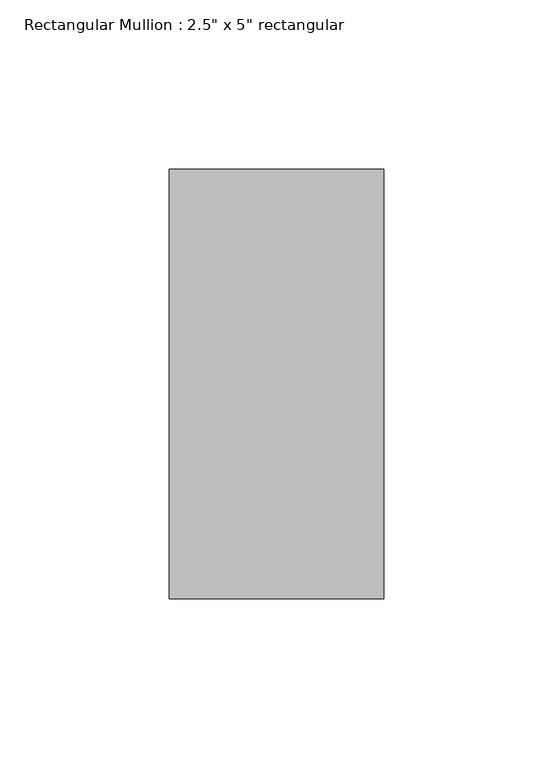
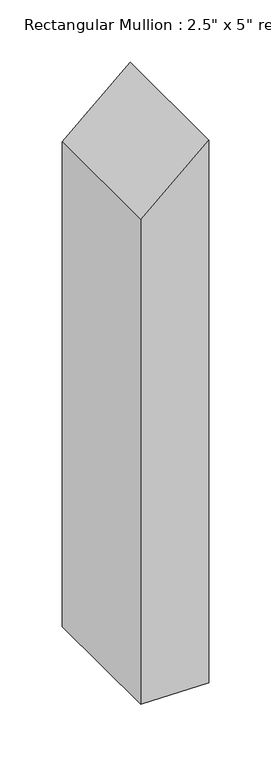
"""IFC4 building model written with IfcOpenShell, lengths in millimetres: member geometry."""

from ifc_helpers import new_model, si_unit, origin, place, context, project, spatial, faceted_brep, source, transform, mapped, element, save


def member_f40bd75c(model_context):
    return source(origin(), model_context, "Body", "Brep", [
        faceted_brep([(-63.5, 63.5, -56.1913858), (0.0, 63.5, 0.0), (0.0, 63.5, -534.6214676), (-63.5, 63.5, -533.7567178), (-63.5, -63.5, -56.1913858), (-63.5, -63.5, -533.0312524), (0.0, -63.5, 0.0), (0.0, -63.5, -533.8960022)], [[[0, 1, 2, 3]], [[4, 0, 3, 5]], [[6, 4, 5, 7]], [[1, 6, 7, 2]], [[1, 0, 4, 6]], [[2, 7, 5, 3]]]),
    ])


if __name__ == "__main__":
    model = new_model("IFC4")
    model_context = context("Model", 3, world=origin())
    ifc_project = project(units=[si_unit("LENGTHUNIT", "METRE", prefix="MILLI")], contexts=[model_context])
    site = spatial("IfcSite", under=ifc_project)
    building = spatial("IfcBuilding", under=site)
    placement = place(None, origin())
    member_shape = member_f40bd75c(model_context)
    element("IfcMember", 1, ObjectType="Rectangular Mullion : 2.5\" x 5\" rectangular", at=placement, inside=building, context=model_context, shape_type="MappedRepresentation", body=[
        mapped(member_shape, transform((0.0, 0.0, 0.0), x_axis=(1.0, 0.0, 0.0), y_axis=(0.0, 1.0, 0.0), z_axis=(0.0, 0.0, 1.0))),
    ])
    save(model, "model.ifc")
